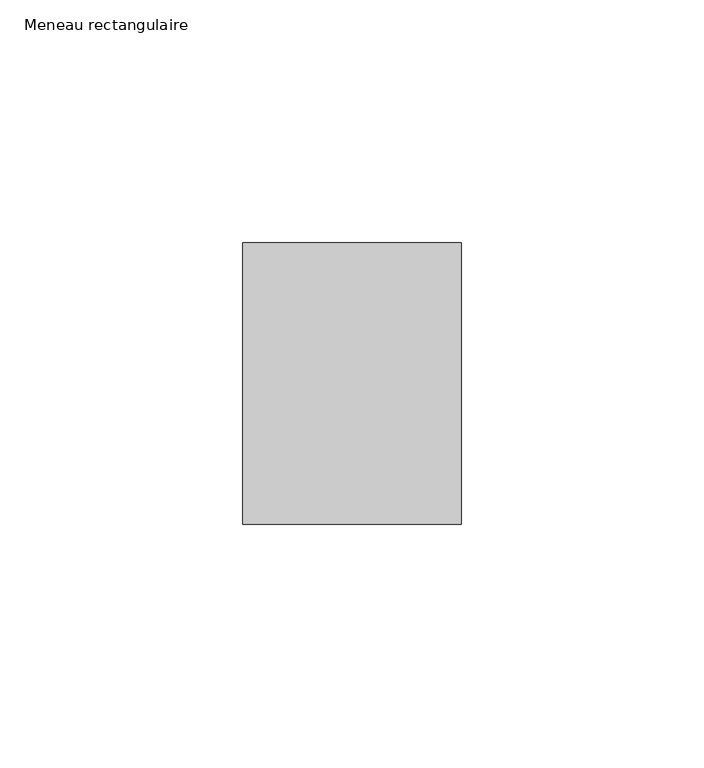
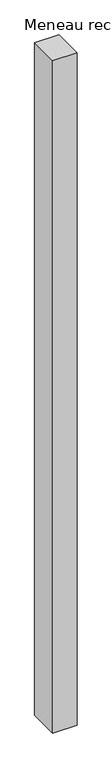
"""IFC4 building model written with IfcOpenShell, lengths in millimetres: member geometry, Meneau rectangulaire."""

from ifc_helpers import new_model, si_unit, frame, origin, place, context, project, spatial, polyline, outline, extrude, source, transform, mapped, element, save


def meneau_rectangulaire_8ec61418(model_context):
    return source(origin(), model_context, "Body", "SweptSolid", [
        extrude(outline(polyline([(-45.0, 29.0), (0.0, 29.0), (0.0, -29.0), (-45.0, -29.0), (-45.0, 29.0)])), frame((0.0, 0.0, -1320.2500002), z_axis=(0.0, 0.0, 1.0), x_axis=(1.0, 0.0, 0.0)), (0.0, 0.0, 1.0), 1320.2500002),
    ])


if __name__ == "__main__":
    model = new_model("IFC4")
    model_context = context("Model", 3, world=origin())
    ifc_project = project(units=[si_unit("LENGTHUNIT", "METRE", prefix="MILLI")], contexts=[model_context])
    site = spatial("IfcSite", under=ifc_project)
    building = spatial("IfcBuilding", under=site)
    placement = place(None, origin())
    meneau_rectangulaire_shape = meneau_rectangulaire_8ec61418(model_context)
    element("IfcMember", 1, ObjectType="Meneau rectangulaire", at=placement, inside=building, context=model_context, shape_type="MappedRepresentation", body=[
        mapped(meneau_rectangulaire_shape, transform((0.0, 0.0, 0.0), x_axis=(1.0, 0.0, 0.0), y_axis=(0.0, 1.0, 0.0), z_axis=(0.0, 0.0, 1.0))),
    ])
    save(model, "model.ifc")
